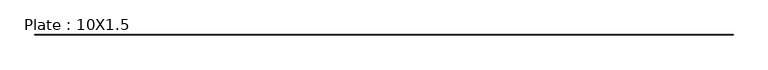
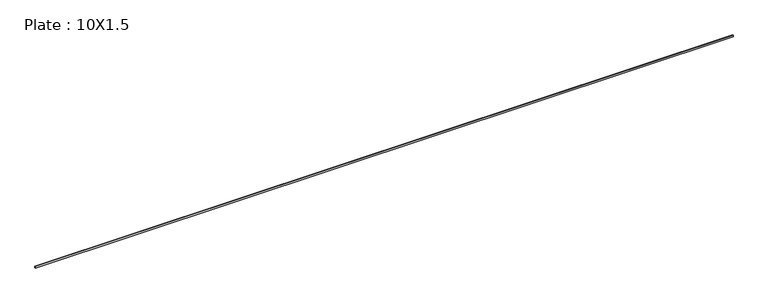
"""IFC4 building model written with IfcOpenShell, lengths in millimetres: member geometry, Plate : 10X1.5."""

from ifc_helpers import new_model, si_unit, frame, origin, place, context, project, spatial, polyline, outline, extrude, source, transform, mapped, element, save


def plate_10x1_5_b5799df5(model_context):
    return source(origin(), model_context, "Body", "SweptSolid", [
        extrude(outline(polyline([(1802.5, 0.75), (1802.5, -0.75), (-1802.5, -0.75), (-1802.5, 0.75), (1802.5, 0.75)])), frame((0.0, 0.0, -5.0), z_axis=(0.0, 0.0, 1.0), x_axis=(1.0, 0.0, 0.0)), (0.0, 0.0, 1.0), 10.0),
    ])


if __name__ == "__main__":
    model = new_model("IFC4")
    model_context = context("Model", 3, world=origin())
    ifc_project = project(units=[si_unit("LENGTHUNIT", "METRE", prefix="MILLI")], contexts=[model_context])
    site = spatial("IfcSite", under=ifc_project)
    building = spatial("IfcBuilding", under=site)
    placement = place(None, origin())
    plate_10x1_5_shape = plate_10x1_5_b5799df5(model_context)
    element("IfcMember", 1, ObjectType="Plate : 10X1.5", at=placement, inside=building, context=model_context, shape_type="MappedRepresentation", body=[
        mapped(plate_10x1_5_shape, transform((0.0, 0.0, 0.0), x_axis=(1.0, 0.0, 0.0), y_axis=(0.0, 1.0, 0.0), z_axis=(0.0, 0.0, 1.0))),
    ])
    save(model, "model.ifc")
